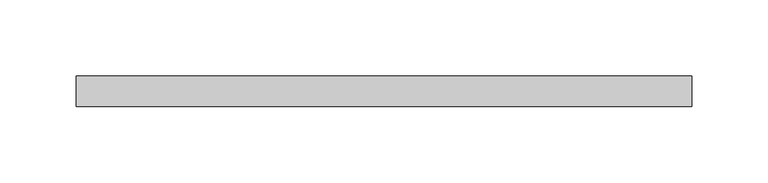
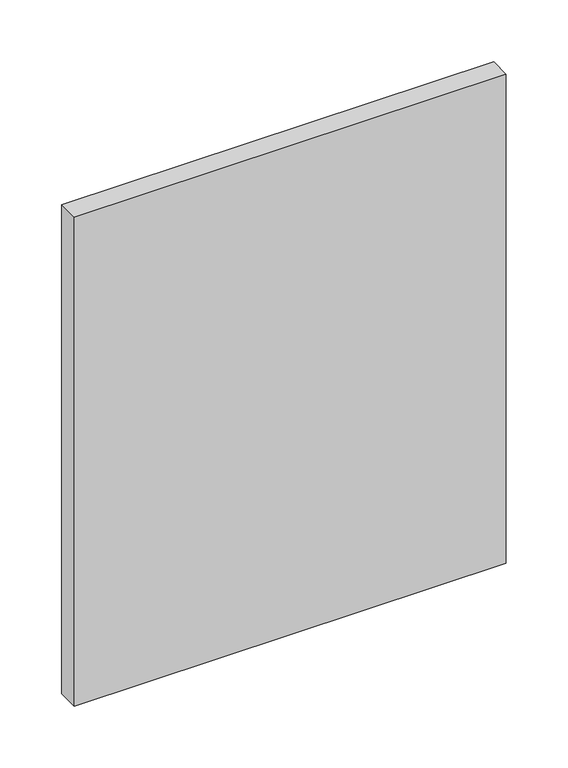
"""IFC4 building model written with IfcOpenShell, lengths in millimetres: plate geometry."""

from ifc_helpers import new_model, si_unit, frame, origin, place, context, project, spatial, polyline, outline, extrude, source, transform, mapped, element, save


def plate_08c95bc5(model_context):
    return source(origin(), model_context, "Body", "SweptSolid", [
        extrude(outline(polyline([(0.0, -201.8421053), (0.0, 201.8421053), (122.25, 201.8421053), (482.7375, 201.8421053), (482.7375, -201.8421053), (0.0, -201.8421053)])), frame((0.0, 70.0, 0.0), z_axis=(0.0, 1.0, 0.0), x_axis=(0.0, 0.0, 1.0)), (0.0, 0.0, 1.0), 20.0),
    ])


if __name__ == "__main__":
    model = new_model("IFC4")
    model_context = context("Model", 3, world=origin())
    ifc_project = project(units=[si_unit("LENGTHUNIT", "METRE", prefix="MILLI")], contexts=[model_context])
    site = spatial("IfcSite", under=ifc_project)
    building = spatial("IfcBuilding", under=site)
    placement = place(None, origin())
    plate_shape = plate_08c95bc5(model_context)
    element("IfcPlate", 1, at=placement, inside=building, context=model_context, shape_type="MappedRepresentation", body=[
        mapped(plate_shape, transform((0.0, 0.0, 0.0), x_axis=(1.0, 0.0, 0.0), y_axis=(0.0, 1.0, 0.0), z_axis=(0.0, 0.0, 1.0))),
    ])
    save(model, "model.ifc")
